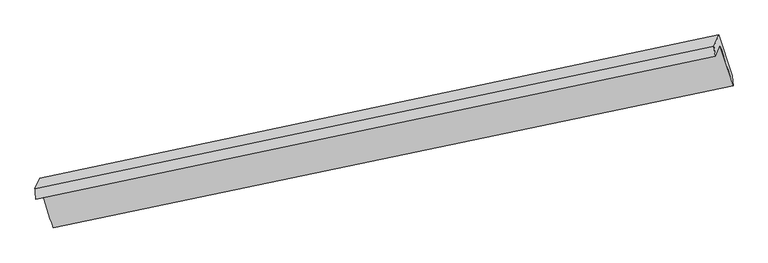
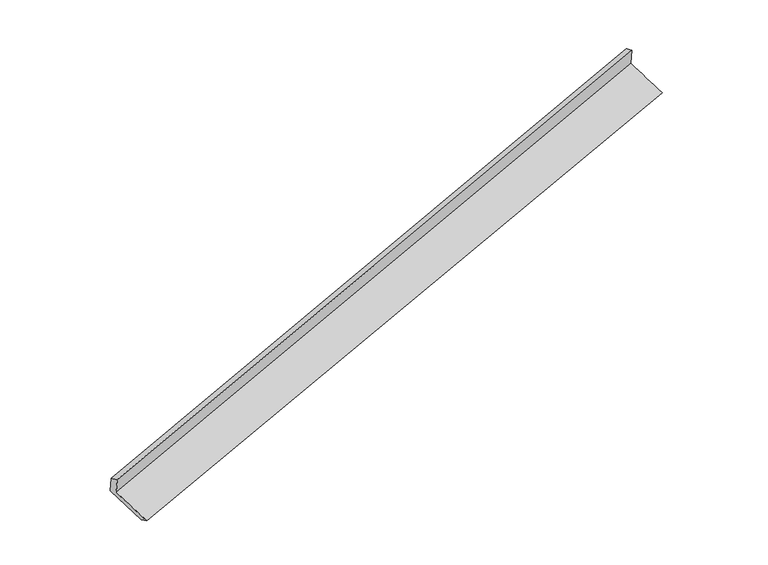
"""IFC4 building model written with IfcOpenShell, lengths in millimetres: proxy geometry."""

from ifc_helpers import new_model, si_unit, frame, origin, place, context, project, spatial, source, transform, mapped, element, save
from ifc_brep_helpers import plane_surface, spline_surface, advanced_brep


def generic_models_b90fa207(model_context):
    return source(origin(), model_context, "Body", "AdvancedBrep", [
        advanced_brep(
        [(-8449.7583368, -2641.4104289, 677.472669), (-8373.621776, -2467.8903988, 297.4934283), (2578.2797283, -157.8573244, 3534.8855883), (2500.3500565, -335.4639679, 3923.8138146), (-8462.7210787, -2472.2116619, 603.7021223), (2483.3025772, -174.5415283, 3867.7942699), (-8387.6319502, -2301.0787961, 228.9503638), (2561.9779279, 4.7645643, 3475.1445402), (-8179.668318, -2950.7912681, -26.0753892), (2775.6543261, -653.2779879, 3217.4594699), (-8169.4258561, -3105.8319201, 47.08802), (2791.0315377, -813.0524922, 3278.3155346)],
        [
            (0, 1),
            (1, 2),
            (2, 3),
            (3, 0),
            (4, 0),
            (3, 5),
            (5, 4),
            (6, 4),
            (5, 7),
            (7, 6),
            (8, 6),
            (7, 9),
            (9, 8),
            (10, 8),
            (9, 11),
            (11, 10),
            (1, 10),
            (11, 2),
        ],
        [
            plane_surface(frame((-8411.6900564, -2554.6504139, 487.4830486), z_axis=(0.29096666339168403, -0.8909759168560633, -0.3485689549819495), x_axis=(0.17931110823028767, 0.4086613392687854, -0.8948985619902788))),
            spline_surface(1, 1, [[(-8462.7210787, -2472.2116619, 603.7021223), (2483.3025772, -174.5415283, 3867.7942699)], [(-8449.7583368, -2641.4104289, 677.472669), (2500.3500565, -335.4639679, 3923.8138146)]], [2, 2], [2, 2], [0.0, 1.0], [0.0, 1.0]),
            plane_surface(frame((-8425.1765145, -2386.645229, 416.326243), z_axis=(-0.29096682166483095, 0.8909758835294741, 0.3485689080499574), x_axis=(-0.1793111082302356, -0.40866133926882175, 0.8948985619902726))),
            spline_surface(1, 1, [[(-8179.668318, -2950.7912681, -26.0753892), (2775.6543261, -653.2779879, 3217.4594699)], [(-8387.6319502, -2301.0787961, 228.9503638), (2561.9779279, 4.7645643, 3475.1445402)]], [2, 2], [2, 2], [0.0, 1.0], [0.0, 1.0]),
            spline_surface(1, 1, [[(-8169.4258561, -3105.8319201, 47.08802), (2791.0315377, -813.0524922, 3278.3155346)], [(-8179.668318, -2950.7912681, -26.0753892), (2775.6543261, -653.2779879, 3217.4594699)]], [2, 2], [2, 2], [0.0, 1.0], [0.0, 1.0]),
            spline_surface(1, 1, [[(-8373.621776, -2467.8903988, 297.4934283), (2578.2797283, -157.8573244, 3534.8855883)], [(-8169.4258561, -3105.8319201, 47.08802), (2791.0315377, -813.0524922, 3278.3155346)]], [2, 2], [2, 2], [0.0, 1.0], [0.0, 1.0]),
            plane_surface(frame((2615.0993589, -354.9047894, 3549.5688696), z_axis=(0.940257560568811, 0.1964159949388662, 0.27809436658329517), x_axis=(-0.28941880771372375, 0.8913005479181473, 0.3490273442330518))),
            plane_surface(frame((-8337.137886, -2656.5357456, 304.771869), z_axis=(-0.9414401018523547, -0.19274805569673614, -0.27665632407258633), x_axis=(-0.1793111082302989, -0.4086613392687842, 0.8948985619902771))),
        ],
        [
            (0, [[1, 2, 3, 4]]),
            (1, [[5, -4, 6, 7]]),
            (2, [[8, -7, 9, 10]]),
            (3, [[11, -10, 12, 13]]),
            (4, [[14, -13, 15, 16]]),
            (5, [[17, -16, 18, -2]]),
            (6, [[-12, -9, -6, -3, -18, -15]]),
            (7, [[-1, -5, -8, -11, -14, -17]]),
        ],
    ),
    ])


if __name__ == "__main__":
    model = new_model("IFC4")
    model_context = context("Model", 3, world=origin())
    ifc_project = project(units=[si_unit("LENGTHUNIT", "METRE", prefix="MILLI")], contexts=[model_context])
    site = spatial("IfcSite", under=ifc_project)
    building = spatial("IfcBuilding", under=site)
    placement = place(None, origin())
    generic_models_shape = generic_models_b90fa207(model_context)
    element("IfcBuildingElementProxy", 1, Name="Generic Models", at=placement, inside=building, context=model_context, shape_type="MappedRepresentation", body=[
        mapped(generic_models_shape, transform((0.0, 0.0, 0.0), x_axis=(1.0, 0.0, 0.0), y_axis=(0.0, 1.0, 0.0), z_axis=(0.0, 0.0, 1.0))),
    ])
    save(model, "model.ifc")
